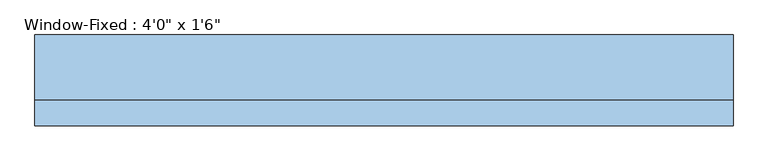
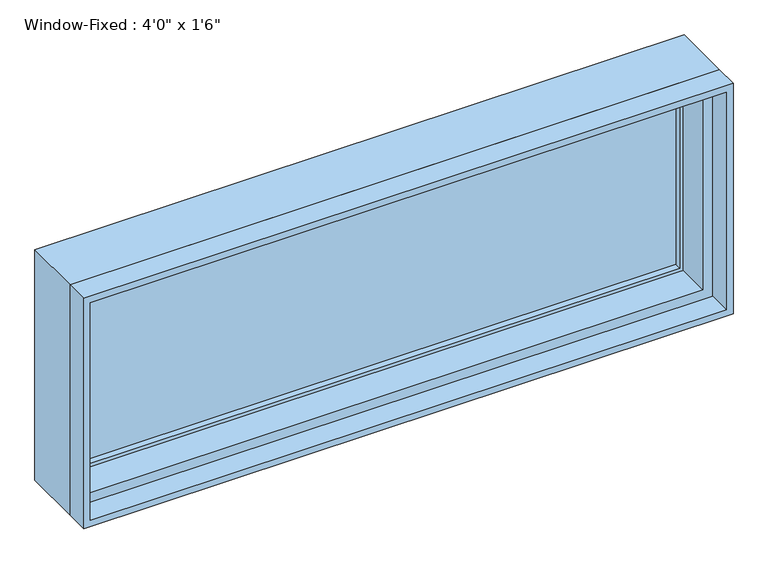
"""IFC4 building model written with IfcOpenShell, lengths in millimetres: window geometry."""

from ifc_helpers import new_model, si_unit, frame, origin, place, context, project, spatial, polyline, outline, extrude, faceted_brep, source, transform, mapped, element, save


def window_24188834(model_context):
    return source(origin(), model_context, "Body", "SolidModel", [
        extrude(outline(polyline([(571.5, 69.85), (571.5, 63.5), (-571.5, 63.5), (-571.5, 69.85), (571.5, 69.85)])), frame((0.0, 0.0, 952.5), z_axis=(0.0, 0.0, 1.0), x_axis=(1.0, 0.0, 0.0)), (0.0, 0.0, 1.0), 381.0),
        extrude(outline(polyline([(-571.5, 50.8), (-571.5, 57.15), (571.5, 57.15), (571.5, 50.8), (-571.5, 50.8)])), frame((0.0, 0.0, 952.5), z_axis=(0.0, 0.0, 1.0), x_axis=(1.0, 0.0, 0.0)), (0.0, 0.0, 1.0), 381.0),
        extrude(outline(polyline([(927.1, 596.9), (1358.9, 596.9), (1358.9, -596.9), (927.1, -596.9), (927.1, 596.9)]), holes=[polyline([(952.5, -571.5), (1333.5, -571.5), (1333.5, 571.5), (952.5, 571.5), (952.5, -571.5)])]), frame((0.0, 38.1, 0.0), z_axis=(0.0, 1.0, 0.0), x_axis=(0.0, 0.0, 1.0)), (0.0, 0.0, 1.0), 44.45),
        extrude(outline(polyline([(1371.6, -609.6), (914.4, -609.6), (914.4, 609.6), (1371.6, 609.6), (1371.6, -609.6)]), holes=[polyline([(1358.9, 596.9), (927.1, 596.9), (927.1, -596.9), (1358.9, -596.9), (1358.9, 596.9)])]), frame((0.0, -69.85, 0.0), z_axis=(0.0, 1.0, 0.0), x_axis=(0.0, 0.0, 1.0)), (0.0, 0.0, 1.0), 44.45),
        faceted_brep([(609.6, -25.4, 1371.6), (609.6, 88.9, 1371.6), (-609.6, 88.9, 1371.6), (-609.6, -25.4, 1371.6), (-609.6, 88.9, 914.4), (-609.6, -25.4, 914.4), (609.6, 88.9, 914.4), (609.6, -25.4, 914.4), (577.85, -25.4, 1339.85), (577.85, -25.4, 946.15), (-577.85, -25.4, 946.15), (-577.85, -25.4, 1339.85), (-596.9, 88.9, 1358.9), (-596.9, 88.9, 927.1), (596.9, 88.9, 927.1), (596.9, 88.9, 1358.9), (577.85, 38.1, 1339.85), (-577.85, 38.1, 1339.85), (596.9, 38.1, 1358.9), (-596.9, 38.1, 1358.9), (-577.85, 38.1, 946.15), (-596.9, 38.1, 927.1), (577.85, 38.1, 946.15), (596.9, 38.1, 927.1)], [[[0, 1, 2, 3]], [[3, 2, 4, 5]], [[5, 4, 6, 7]], [[3, 5, 7, 0], [8, 9, 10, 11]], [[7, 6, 1, 0]], [[1, 6, 4, 2], [12, 13, 14, 15]], [[16, 8, 11, 17]], [[15, 18, 19, 12]], [[17, 11, 10, 20]], [[12, 19, 21, 13]], [[20, 10, 9, 22]], [[13, 21, 23, 14]], [[22, 9, 8, 16]], [[18, 23, 21, 19], [17, 20, 22, 16]], [[14, 23, 18, 15]]]),
    ])


if __name__ == "__main__":
    model = new_model("IFC4")
    model_context = context("Model", 3, world=origin())
    ifc_project = project(units=[si_unit("LENGTHUNIT", "METRE", prefix="MILLI")], contexts=[model_context])
    site = spatial("IfcSite", under=ifc_project)
    building = spatial("IfcBuilding", under=site)
    placement = place(None, origin())
    window_shape = window_24188834(model_context)
    element("IfcWindow", 1, ObjectType="Window-Fixed : 4'0\" x 1'6\"", at=placement, inside=building, context=model_context, shape_type="MappedRepresentation", body=[
        mapped(window_shape, transform((0.0, 0.0, 0.0), x_axis=(1.0, 0.0, 0.0), y_axis=(0.0, 1.0, 0.0), z_axis=(0.0, 0.0, 1.0))),
    ])
    save(model, "model.ifc")
